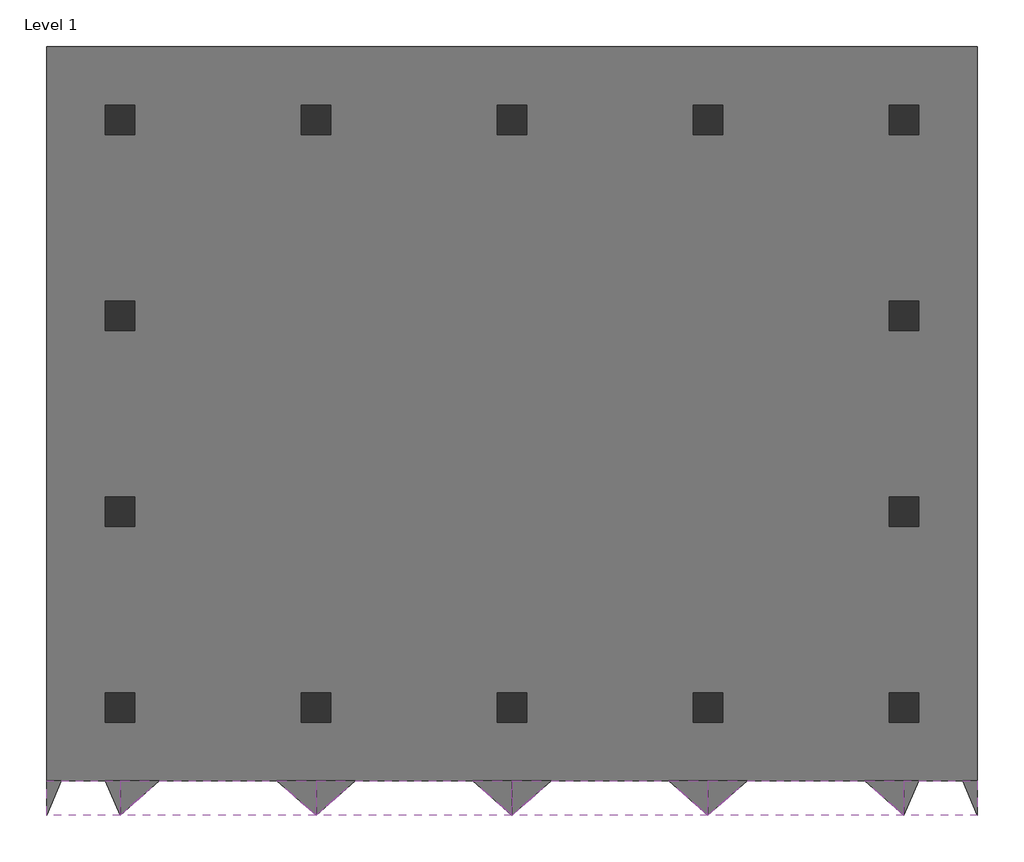
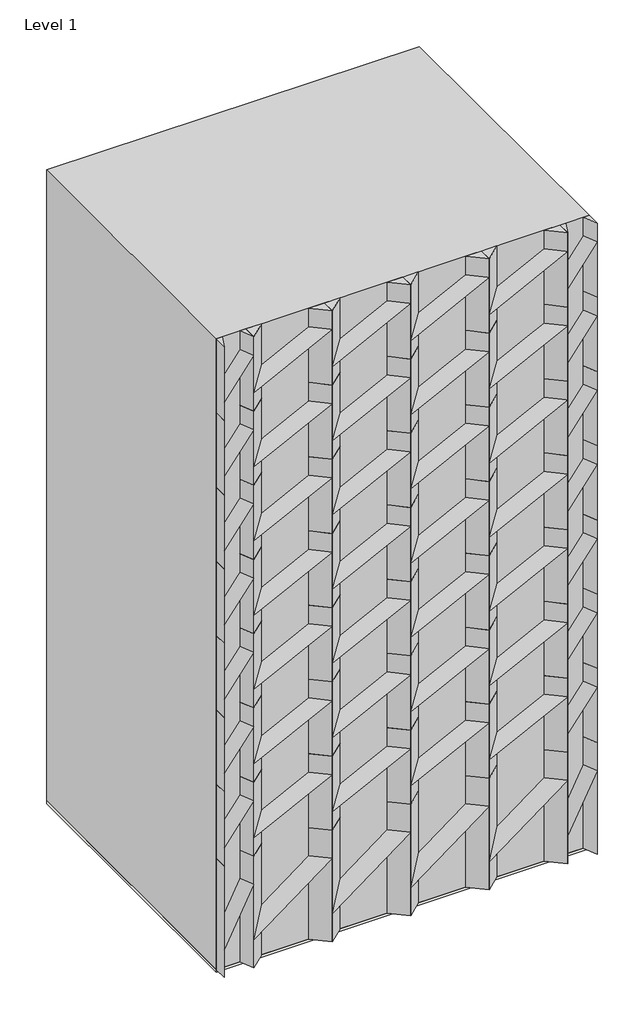
# One storey: 49 proxies, 14 columns, 1 slab.
"""IFC4 building model written with IfcOpenShell, lengths in millimetres."""

import ifcopenshell
import ifcopenshell.guid

model = None  # the IFC model being written
_history = None  # IfcOwnerHistory: only IFC2X3 demands one
_inside = {}  # id of a spatial element -> (the spatial element, [elements in it])
_under = {}  # id of a project, library or spatial element -> (it, [spatial elements below it])
_declared = {}  # id of a project -> (the project, [libraries it declares])
_typed = {}  # id of a type object -> (the type object, [elements of that type])
_made_of = {}  # id of a material, layer set ... -> (it, [elements and type objects made of it])


def new_model(schema):
    """Start an empty IFC model of exactly this schema.

    Asked for "IFC4X3", IfcOpenShell would pick the latest addendum, in which some entities
    have other attributes; the version numbers below select the first issue.
    IFC2X3 requires an IfcOwnerHistory on every rooted entity: one is made here for all.
    """
    global model, _history
    if schema == "IFC4X3":
        model = ifcopenshell.file(schema_version=(4, 3, 0, 0))
    else:
        model = ifcopenshell.file(schema=schema)
    _inside.clear()
    _under.clear()
    _declared.clear()
    _typed.clear()
    _made_of.clear()
    _history = None
    if model.schema == "IFC2X3":
        org = make("IfcOrganization", Name="unknown")
        user = make(
            "IfcPersonAndOrganization",
            ThePerson=make("IfcPerson", FamilyName="unknown"),
            TheOrganization=org,
        )
        app = make(
            "IfcApplication",
            ApplicationDeveloper=org,
            Version="unknown",
            ApplicationFullName="unknown",
            ApplicationIdentifier="unknown",
        )
        _history = make(
            "IfcOwnerHistory",
            OwningUser=user,
            OwningApplication=app,
            ChangeAction="ADDED",
            CreationDate=0,
        )
    return model


def make(cls, **values):
    """One entity of the class cls with the attributes given. An attribute that is None is left unset."""
    return model.create_entity(
        cls, **{name: value for name, value in values.items() if value is not None}
    )


def rooted(cls, **values):
    """An entity with a GlobalId (a new one), such as an element, a storey or a relation."""
    return make(cls, GlobalId=ifcopenshell.guid.new(), OwnerHistory=_history, **values)


def si_unit(unit_type, name, prefix=None):
    """IfcSIUnit, for example si_unit("LENGTHUNIT", "METRE", prefix="MILLI")."""
    return make("IfcSIUnit", UnitType=unit_type, Prefix=prefix, Name=name)


def assignment(units):
    """IfcUnitAssignment: the units of a project."""
    return None if units is None else make("IfcUnitAssignment", Units=units)


def point(xyz):
    """IfcCartesianPoint."""
    return None if xyz is None else make("IfcCartesianPoint", Coordinates=xyz)


def direction(xyz):
    """IfcDirection."""
    return None if xyz is None else make("IfcDirection", DirectionRatios=xyz)


def frame(location, z_axis=None, x_axis=None):
    """IfcAxis2Placement3D, a coordinate frame: its origin and axes. An axis left out is left unset."""
    return make(
        "IfcAxis2Placement3D",
        Location=point(location),
        Axis=direction(z_axis),
        RefDirection=direction(x_axis),
    )


def origin():
    """The frame at (0, 0, 0) with its axes left unset."""
    return frame((0.0, 0.0, 0.0))


def origin_with_axes():
    """The frame at (0, 0, 0) with the z axis (0, 0, 1) and the x axis (1, 0, 0) written out."""
    return frame((0.0, 0.0, 0.0), z_axis=(0.0, 0.0, 1.0), x_axis=(1.0, 0.0, 0.0))


def place(relative_to, where):
    """IfcLocalPlacement: puts the frame where relative to a parent placement (None: the world)."""
    return make(
        "IfcLocalPlacement", PlacementRelTo=relative_to, RelativePlacement=where
    )


def context(
    kind, dimensions, precision=None, world=None, true_north=None, identifier=None
):
    """IfcGeometricRepresentationContext, for example the 3D "Model" context."""
    return make(
        "IfcGeometricRepresentationContext",
        ContextIdentifier=identifier,
        ContextType=kind,
        CoordinateSpaceDimension=dimensions,
        Precision=precision,
        WorldCoordinateSystem=world,
        TrueNorth=true_north,
    )


def project(units=None, contexts=None):
    """IfcProject with its units and contexts."""
    return rooted(
        "IfcProject",
        Name="project",
        RepresentationContexts=contexts,
        UnitsInContext=assignment(units),
    )


def spatial(cls, under=None, at=None, **own):
    """A site, building, storey or space (cls), placed at a placement, below another one or the project."""
    s = rooted(cls, ObjectPlacement=at, **own)
    if under is not None:
        _under.setdefault(under.id(), (under, []))[1].append(s)
    return s


def polyline(points):
    """IfcPolyline through the points."""
    return make("IfcPolyline", Points=[point(p) for p in points])


def outline(outer, holes=None, kind="AREA"):
    """IfcArbitraryClosedProfileDef: a profile drawn as a closed curve; with holes, ...WithVoids."""
    if holes is None:
        return make("IfcArbitraryClosedProfileDef", ProfileType=kind, OuterCurve=outer)
    return make(
        "IfcArbitraryProfileDefWithVoids",
        ProfileType=kind,
        OuterCurve=outer,
        InnerCurves=holes,
    )


def extrude(swept, where, along, depth):
    """IfcExtrudedAreaSolid: the profile swept, set in the frame where, extruded along a direction by depth."""
    return make(
        "IfcExtrudedAreaSolid",
        SweptArea=swept,
        Position=where,
        ExtrudedDirection=direction(along),
        Depth=depth,
    )


def faces_of(points, faces, orient=None, outer=None):
    """IfcFace entities. A face is a list of loops; a loop is a list of indices into points, from 0.

    orient and outer hold one flag for each loop. By default every Orientation is true, the
    first loop of a face is its IfcFaceOuterBound and the others are IfcFaceBound.
    """
    made = []
    for i, loops in enumerate(faces):
        bounds = []
        for j, loop in enumerate(loops):
            is_outer = j == 0 if outer is None else outer[i][j]
            bounds.append(
                make(
                    "IfcFaceOuterBound" if is_outer else "IfcFaceBound",
                    Bound=make("IfcPolyLoop", Polygon=[points[k] for k in loop]),
                    Orientation=True if orient is None else orient[i][j],
                )
            )
        made.append(make("IfcFace", Bounds=bounds))
    return made


def faceted_brep(points, faces, orient=None, outer=None, voids=None):
    """IfcFacetedBrep: a solid bounded by flat faces; with voids (closed shells), ...WithVoids."""
    shared = [point(p) for p in points]
    hull = make("IfcClosedShell", CfsFaces=faces_of(shared, faces, orient, outer))
    if voids is None:
        return make("IfcFacetedBrep", Outer=hull)
    return make(
        "IfcFacetedBrepWithVoids",
        Outer=hull,
        Voids=[
            make(cls, CfsFaces=faces_of(shared, fs, o, b)) for cls, fs, o, b in voids
        ],
    )


def shape(context_of_items, identifier, shape_type, items):
    """IfcShapeRepresentation: the items that make up one representation, for example the "Body"."""
    return make(
        "IfcShapeRepresentation",
        ContextOfItems=context_of_items,
        RepresentationIdentifier=identifier,
        RepresentationType=shape_type,
        Items=items,
    )


def source(mapping_origin, context_of_items, identifier, shape_type, items):
    """IfcRepresentationMap: a shape defined once, which mapped items show again and again."""
    return make(
        "IfcRepresentationMap",
        MappingOrigin=mapping_origin,
        MappedRepresentation=shape(context_of_items, identifier, shape_type, items),
    )


def transform(
    local_origin,
    x_axis=None,
    y_axis=None,
    z_axis=None,
    scale=None,
    scale2=None,
    scale3=None,
    uniform=True,
):
    """IfcCartesianTransformationOperator3D, or its non-uniform kind. x_axis, y_axis, z_axis: its Axis1, 2, 3."""
    if uniform:
        return make(
            "IfcCartesianTransformationOperator3D",
            Axis1=direction(x_axis),
            Axis2=direction(y_axis),
            LocalOrigin=point(local_origin),
            Scale=scale,
            Axis3=direction(z_axis),
        )
    return make(
        "IfcCartesianTransformationOperator3DnonUniform",
        Axis1=direction(x_axis),
        Axis2=direction(y_axis),
        LocalOrigin=point(local_origin),
        Scale=scale,
        Axis3=direction(z_axis),
        Scale2=scale2,
        Scale3=scale3,
    )


def mapped(mapping_source, mapping_target):
    """IfcMappedItem: shows the shape of a source again, moved by a transform."""
    return make(
        "IfcMappedItem", MappingSource=mapping_source, MappingTarget=mapping_target
    )


def made_of(thing, what):
    """Note that an element or type object is made of a material, layer set ...; save() writes the relation."""
    if what is not None:
        _made_of.setdefault(what.id(), (what, []))[1].append(thing)
    return thing


def element(
    cls,
    number,
    at=None,
    inside=None,
    cuts=None,
    type_object=None,
    material=None,
    context=None,
    identifier="Body",
    shape_type=None,
    held_by="IfcProductDefinitionShape",
    body=None,
    shapes=None,
    **own,
):
    """One element of the class cls, such as IfcWall. Its Tag is "e" and its number.

    at: its placement. inside: the storey or other place that contains it. cuts: it is an
    opening in that element (IfcRelVoidsElement). A single representation is given by context,
    identifier, shape_type and body (its items); several are given by shapes. held_by: the class
    of the entity that holds the representations. save() writes the other relations.
    """
    e = rooted(cls, Tag="e%d" % number, ObjectPlacement=at, **own)
    if body is not None:
        shapes = [shape(context, identifier, shape_type, body)]
    if shapes is not None:
        e.Representation = make(held_by, Representations=shapes)
    if inside is not None:
        _inside.setdefault(inside.id(), (inside, []))[1].append(e)
    if cuts is not None:
        rooted(
            "IfcRelVoidsElement", RelatingBuildingElement=cuts, RelatedOpeningElement=e
        )
    if type_object is not None:
        _typed.setdefault(type_object.id(), (type_object, []))[1].append(e)
    return made_of(e, material)


def aggregate(whole, parts):
    """IfcRelAggregates: a whole, such as a stair, and the parts it consists of."""
    return rooted("IfcRelAggregates", RelatingObject=whole, RelatedObjects=parts)


def save(model, path):
    """Write the relations noted so far, then the file.

    IfcRelAggregates (storeys below a building ...), IfcRelContainedInSpatialStructure (elements
    in a storey), IfcRelDefinesByType, IfcRelAssociatesMaterial and IfcRelDeclares: one each for
    every whole, place, type object, material and project.
    """
    for whole, parts in _under.values():
        aggregate(whole, parts)
    for where, things in _inside.values():
        rooted(
            "IfcRelContainedInSpatialStructure",
            RelatedElements=things,
            RelatingStructure=where,
        )
    for kind, things in _typed.values():
        rooted("IfcRelDefinesByType", RelatedObjects=things, RelatingType=kind)
    for what, things in _made_of.values():
        rooted("IfcRelAssociatesMaterial", RelatedObjects=things, RelatingMaterial=what)
    for by, libraries in _declared.values():
        rooted("IfcRelDeclares", RelatingContext=by, RelatedDefinitions=libraries)
    model.write(path)


def generic_models_ffdb859a(model_context):
    return source(origin(), model_context, "Body", "SolidModel", [
        faceted_brep([(-524.6847793, -131.1711948, 0.0), (-1210.8110292, -1160.3605696, 700.0), (1210.8110292, 1160.3605696, 700.0), (928.2884557, 1261.2614887, 0.0), (-928.2884557, -1261.2614887, 0.0), (524.6847793, 131.1711948, 0.0)], [[[0, 1, 2, 3]], [[1, 4, 5, 2]], [[4, 0, 3, 5]], [[3, 2, 5]], [[0, 4, 1]]]),
        extrude(outline(polyline([(-233.3333333, 100.0), (466.6666667, 100.0), (-233.3333333, -200.0), (-233.3333333, 100.0)])), frame((-396.8769485, -3043.8443928, 233.3333333), z_axis=(0.3363363969981588, 0.9417419115948366, 0.0), x_axis=(0.0, 0.0, 1.0)), (0.0, 0.0, 1.0), 6000.0),
        extrude(outline(polyline([(-466.6666667, 100.0), (233.3333333, 100.0), (233.3333333, -200.0), (-466.6666667, 100.0)])), frame((-1621.1414335, -2606.6070767, 233.3333333), z_axis=(0.3363363969981584, 0.9417419115948367, 0.0), x_axis=(0.0, 0.0, -1.0)), (0.0, 0.0, 1.0), 6000.0),
    ])


def generic_models_e47848c2(model_context):
    return source(origin(), model_context, "Body", "SolidModel", [
        faceted_brep([(-1200.0, -300.0, 0.0), (-2000.0, -1500.0, 700.0), (2000.0, 1500.0, 700.0), (1200.0, 1500.0, 0.0), (-1200.0, -1500.0, 0.0), (1200.0, 300.0, 0.0)], [[[0, 1, 2, 3]], [[1, 4, 5, 2]], [[4, 0, 3, 5]], [[3, 2, 5]], [[0, 4, 1]]]),
        extrude(outline(polyline([(0.0, 2000.0), (700.0, 2000.0), (0.0, 1200.0), (0.0, 2000.0)])), frame((0.0, -3000.0, 0.0), z_axis=(0.0, 1.0, 0.0), x_axis=(0.0, 0.0, 1.0)), (0.0, 0.0, 1.0), 6000.0),
        extrude(outline(polyline([(700.0, -2000.0), (0.0, -2000.0), (0.0, -1200.0), (700.0, -2000.0)])), frame((0.0, -3000.0, 0.0), z_axis=(0.0, 1.0, 0.0), x_axis=(0.0, 0.0, 1.0)), (0.0, 0.0, 1.0), 6000.0),
    ])


def generic_models_e5d8185a(model_context):
    return source(origin(), model_context, "Body", "SolidModel", [
        faceted_brep([(-483.6744675, -92.5149149, 0.0), (-957.6105229, -803.418998, 700.0), (957.6105229, 803.418998, 700.0), (665.45816, 871.5878827, 0.0), (-665.45816, -871.5878827, 0.0), (483.6744675, 92.5149149, 0.0)], [[[0, 1, 2, 3]], [[1, 4, 5, 2]], [[4, 0, 3, 5]], [[3, 2, 5]], [[0, 4, 1]]]),
        extrude(outline(polyline([(-233.3333333, 100.0), (466.6666667, 100.0), (-233.3333333, -199.9999999), (-233.3333333, 100.0)])), frame((178.5375551, -2095.3816696, 233.3333333), z_axis=(0.22722961560642227, 0.9738412097417923, 0.0), x_axis=(0.0, 0.0, 1.0)), (0.0, 0.0, 1.0), 4000.0),
        extrude(outline(polyline([(-466.6666667, 100.0), (233.3333333, 100.0), (233.3333333, -200.0), (-466.6666667, 100.0)])), frame((-1087.4560175, -1799.9831693, 233.3333333), z_axis=(0.22722961560642227, 0.9738412097417923, 0.0), x_axis=(0.0, 0.0, -1.0)), (0.0, 0.0, 1.0), 4000.0),
    ])


def generic_models_c88dd591(model_context):
    return source(origin(), model_context, "Body", "SolidModel", [
        faceted_brep([(-1137.4735838, -431.4554973, 0.0), (-1765.0452162, -1372.812946, 700.0), (1765.0452162, 1372.812946, 700.0), (980.5806757, 1215.9200379, 0.0), (-980.5806757, -1215.9200379, 0.0), (1137.4735838, 431.4554973, 0.0)], [[[0, 1, 2, 3]], [[1, 4, 5, 2]], [[4, 0, 3, 5]], [[3, 2, 5]], [[0, 4, 1]]]),
        extrude(outline(polyline([(-233.3333333, 266.6666667), (466.6666667, 266.6666667), (-233.3333333, -533.3333334), (-233.3333333, 266.6666667)])), frame((2091.9054415, -1621.2267171, 233.3333333), z_axis=(-0.1961161351381841, 0.9805806756909201, 0.0), x_axis=(0.0, 0.0, 1.0)), (0.0, 0.0, 1.0), 4000.0),
        extrude(outline(polyline([(-466.6666667, 266.6666667), (233.3333333, 266.6666667), (233.3333333, -533.3333333), (-466.6666667, 266.6666667)])), frame((-1307.4409009, -2301.0959856, 233.3333333), z_axis=(-0.1961161351381843, 0.9805806756909201, 0.0), x_axis=(0.0, 0.0, -1.0)), (0.0, 0.0, 1.0), 4000.0),
    ])


def m_rectangular_column_610_x_610mm_4e1fe623(model_context):
    return source(origin(), model_context, "Body", "SweptSolid", [
        extrude(outline(polyline([(305.0, 305.0), (305.0, -305.0), (-305.0, -305.0), (-305.0, 305.0), (305.0, 305.0)])), origin_with_axes(), (0.0, 0.0, 1.0), 6000.0),
    ])


model = new_model("IFC4")

# Units and contexts
model_context = context("Model", 3, world=origin())
ifc_project = project(units=[si_unit("LENGTHUNIT", "METRE", prefix="MILLI")], contexts=[model_context])

# Site, building, storey
site = spatial("IfcSite", under=ifc_project)
building = spatial("IfcBuilding", under=site)
storey = spatial("IfcBuildingStorey", under=building, Name="Level 1", Elevation=0.0)

# Proxies
placement = place(None, origin())
generic_models_shape = generic_models_ffdb859a(model_context)
element("IfcBuildingElementProxy", 1, Name="Generic Models", at=placement, inside=storey, context=model_context, shape_type="MappedRepresentation", body=[
    mapped(generic_models_shape, transform((-6815.5268457, -9392.8664527, 3000.0), x_axis=(0.9417419115948367, 0.0, 0.3363363969981589), y_axis=(-0.3363363969981589, 0.0, 0.9417419115948367), z_axis=(0.0, -1.0, 0.0))),
])
element("IfcBuildingElementProxy", 2, Name="Generic Models", at=placement, inside=storey, context=model_context, shape_type="MappedRepresentation", body=[
    mapped(generic_models_shape, transform((10684.4731543, -9392.8664527, 3000.0), x_axis=(0.9417419115948393, 0.0, 0.33633639699815165), y_axis=(-0.33633639699815165, 0.0, 0.9417419115948393), z_axis=(0.0, -1.0, 0.0))),
])
generic_models_2_shape = generic_models_e47848c2(model_context)
element("IfcBuildingElementProxy", 3, Name="Generic Models", at=placement, inside=storey, context=model_context, shape_type="MappedRepresentation", body=[
    mapped(generic_models_2_shape, transform((-4065.5268457, -9392.8664527, 3000.0), x_axis=(1.0, 0.0, 0.0), y_axis=(0.0, 0.0, 1.0), z_axis=(0.0, -1.0, 0.0))),
])
element("IfcBuildingElementProxy", 4, Name="Generic Models", at=placement, inside=storey, context=model_context, shape_type="MappedRepresentation", body=[
    mapped(generic_models_2_shape, transform((-65.5268457, -9392.8664527, 3000.0), x_axis=(1.0, 0.0, 0.0), y_axis=(0.0, 0.0, 1.0), z_axis=(0.0, -1.0, 0.0))),
])
element("IfcBuildingElementProxy", 5, Name="Generic Models", at=placement, inside=storey, context=model_context, shape_type="MappedRepresentation", body=[
    mapped(generic_models_2_shape, transform((3934.4731543, -9392.8664527, 3000.0), x_axis=(1.0, 0.0, 0.0), y_axis=(0.0, 0.0, 1.0), z_axis=(0.0, -1.0, 0.0))),
])
element("IfcBuildingElementProxy", 6, Name="Generic Models", at=placement, inside=storey, context=model_context, shape_type="MappedRepresentation", body=[
    mapped(generic_models_2_shape, transform((7934.4731543, -9392.8664527, 3000.0), x_axis=(1.0000000000000002, 0.0, 0.0), y_axis=(0.0, 0.0, 1.0000000000000002), z_axis=(0.0, -1.0, 0.0))),
])
generic_models_3_shape = generic_models_e5d8185a(model_context)
element("IfcBuildingElementProxy", 7, Name="Generic Models", at=placement, inside=storey, context=model_context, shape_type="MappedRepresentation", body=[
    mapped(generic_models_3_shape, transform((-6815.5268457, -9392.8664527, 8000.0), x_axis=(0.9738412097417923, 0.0, 0.2272296156064224), y_axis=(-0.2272296156064224, 0.0, 0.9738412097417923), z_axis=(0.0, -1.0, 0.0))),
])
element("IfcBuildingElementProxy", 8, Name="Generic Models", at=placement, inside=storey, context=model_context, shape_type="MappedRepresentation", body=[
    mapped(generic_models_3_shape, transform((10684.4731543, -9392.8664527, 8000.0), x_axis=(0.9738412097417948, 0.0, 0.2272296156064117), y_axis=(-0.2272296156064117, 0.0, 0.9738412097417948), z_axis=(0.0, -1.0, 0.0))),
])
element("IfcBuildingElementProxy", 9, Name="Generic Models", at=placement, inside=storey, context=model_context, shape_type="MappedRepresentation", body=[
    mapped(generic_models_3_shape, transform((-6815.5268457, -9392.8664527, 12000.0), x_axis=(0.9738412097417923, 0.0, 0.22722961560642269), y_axis=(-0.22722961560642269, 0.0, 0.9738412097417923), z_axis=(0.0, -1.0, 0.0))),
])
element("IfcBuildingElementProxy", 10, Name="Generic Models", at=placement, inside=storey, context=model_context, shape_type="MappedRepresentation", body=[
    mapped(generic_models_3_shape, transform((10684.4731543, -9392.8664527, 12000.0), x_axis=(0.9738412097417948, 0.0, 0.22722961560641208), y_axis=(-0.22722961560641208, 0.0, 0.9738412097417948), z_axis=(0.0, -1.0, 0.0))),
])
element("IfcBuildingElementProxy", 11, Name="Generic Models", at=placement, inside=storey, context=model_context, shape_type="MappedRepresentation", body=[
    mapped(generic_models_3_shape, transform((-6815.5268457, -9392.8664527, 16000.0), x_axis=(0.9738412097417924, 0.0, 0.2272296156064219), y_axis=(-0.2272296156064219, 0.0, 0.9738412097417924), z_axis=(0.0, -1.0, 0.0))),
])
element("IfcBuildingElementProxy", 12, Name="Generic Models", at=placement, inside=storey, context=model_context, shape_type="MappedRepresentation", body=[
    mapped(generic_models_3_shape, transform((10684.4731543, -9392.8664527, 16000.0), x_axis=(0.9738412097417949, 0.0, 0.22722961560641142), y_axis=(-0.22722961560641142, 0.0, 0.9738412097417949), z_axis=(0.0, -1.0, 0.0))),
])
element("IfcBuildingElementProxy", 13, Name="Generic Models", at=placement, inside=storey, context=model_context, shape_type="MappedRepresentation", body=[
    mapped(generic_models_3_shape, transform((-6815.5268457, -9392.8664527, 20000.0), x_axis=(0.9738412097417923, 0.0, 0.22722961560642269), y_axis=(-0.22722961560642269, 0.0, 0.9738412097417923), z_axis=(0.0, -1.0, 0.0))),
])
element("IfcBuildingElementProxy", 14, Name="Generic Models", at=placement, inside=storey, context=model_context, shape_type="MappedRepresentation", body=[
    mapped(generic_models_3_shape, transform((10684.4731543, -9392.8664527, 20000.0), x_axis=(0.9738412097417948, 0.0, 0.22722961560641208), y_axis=(-0.22722961560641208, 0.0, 0.9738412097417948), z_axis=(0.0, -1.0, 0.0))),
])
element("IfcBuildingElementProxy", 15, Name="Generic Models", at=placement, inside=storey, context=model_context, shape_type="MappedRepresentation", body=[
    mapped(generic_models_3_shape, transform((-6815.5268457, -9392.8664527, 24000.0), x_axis=(0.9738412097417923, 0.0, 0.2272296156064224), y_axis=(-0.2272296156064224, 0.0, 0.9738412097417923), z_axis=(0.0, -1.0, 0.0))),
])
element("IfcBuildingElementProxy", 16, Name="Generic Models", at=placement, inside=storey, context=model_context, shape_type="MappedRepresentation", body=[
    mapped(generic_models_3_shape, transform((10684.4731543, -9392.8664527, 24000.0), x_axis=(0.9738412097417948, 0.0, 0.2272296156064117), y_axis=(-0.2272296156064117, 0.0, 0.9738412097417948), z_axis=(0.0, -1.0, 0.0))),
])
element("IfcBuildingElementProxy", 17, Name="Generic Models", at=placement, inside=storey, context=model_context, shape_type="MappedRepresentation", body=[
    mapped(generic_models_3_shape, transform((-6815.5268457, -9392.8664527, 28000.0), x_axis=(0.9738412097417923, 0.0, 0.2272296156064224), y_axis=(-0.2272296156064224, 0.0, 0.9738412097417923), z_axis=(0.0, -1.0, 0.0))),
])
element("IfcBuildingElementProxy", 18, Name="Generic Models", at=placement, inside=storey, context=model_context, shape_type="MappedRepresentation", body=[
    mapped(generic_models_3_shape, transform((10684.4731543, -9392.8664527, 28000.0), x_axis=(0.9738412097417948, 0.0, 0.2272296156064117), y_axis=(-0.2272296156064117, 0.0, 0.9738412097417948), z_axis=(0.0, -1.0, 0.0))),
])
element("IfcBuildingElementProxy", 19, Name="Generic Models", at=placement, inside=storey, context=model_context, shape_type="MappedRepresentation", body=[
    mapped(generic_models_3_shape, transform((-6815.5268457, -9392.8664527, 32000.0), x_axis=(0.9738412097417927, 0.0, 0.22722961560642163), y_axis=(-0.22722961560642163, 0.0, 0.9738412097417927), z_axis=(0.0, -1.0, 0.0))),
])
element("IfcBuildingElementProxy", 20, Name="Generic Models", at=placement, inside=storey, context=model_context, shape_type="MappedRepresentation", body=[
    mapped(generic_models_3_shape, transform((10684.4731543, -9392.8664527, 32000.0), x_axis=(0.9738412097417951, 0.0, 0.22722961560641103), y_axis=(-0.22722961560641103, 0.0, 0.9738412097417951), z_axis=(0.0, -1.0, 0.0))),
])
generic_models_4_shape = generic_models_c88dd591(model_context)
element("IfcBuildingElementProxy", 21, Name="Generic Models", at=placement, inside=storey, context=model_context, shape_type="MappedRepresentation", body=[
    mapped(generic_models_4_shape, transform((-4065.5268457, -9392.8664527, 8000.0), x_axis=(0.9805806756909202, 0.0, -0.19611613513818404), y_axis=(0.19611613513818404, 0.0, 0.9805806756909202), z_axis=(0.0, -1.0, 0.0))),
])
element("IfcBuildingElementProxy", 22, Name="Generic Models", at=placement, inside=storey, context=model_context, shape_type="MappedRepresentation", body=[
    mapped(generic_models_4_shape, transform((-65.5268457, -9392.8664527, 8000.0), x_axis=(0.9805806756909202, 0.0, -0.19611613513818404), y_axis=(0.19611613513818404, 0.0, 0.9805806756909202), z_axis=(0.0, -1.0, 0.0))),
])
element("IfcBuildingElementProxy", 23, Name="Generic Models", at=placement, inside=storey, context=model_context, shape_type="MappedRepresentation", body=[
    mapped(generic_models_4_shape, transform((3934.4731543, -9392.8664527, 8000.0), x_axis=(0.9805806756909201, 0.0, -0.1961161351381841), y_axis=(0.1961161351381841, 0.0, 0.9805806756909201), z_axis=(0.0, -1.0, 0.0))),
])
element("IfcBuildingElementProxy", 24, Name="Generic Models", at=placement, inside=storey, context=model_context, shape_type="MappedRepresentation", body=[
    mapped(generic_models_4_shape, transform((7934.4731543, -9392.8664527, 8000.0), x_axis=(0.9805806756909202, 0.0, -0.19611613513818388), y_axis=(0.19611613513818388, 0.0, 0.9805806756909202), z_axis=(0.0, -1.0, 0.0))),
])
element("IfcBuildingElementProxy", 25, Name="Generic Models", at=placement, inside=storey, context=model_context, shape_type="MappedRepresentation", body=[
    mapped(generic_models_4_shape, transform((-4065.5268457, -9392.8664527, 12000.0), x_axis=(0.9805806756909203, 0.0, -0.1961161351381836), y_axis=(0.1961161351381836, 0.0, 0.9805806756909203), z_axis=(0.0, -1.0, 0.0))),
])
element("IfcBuildingElementProxy", 26, Name="Generic Models", at=placement, inside=storey, context=model_context, shape_type="MappedRepresentation", body=[
    mapped(generic_models_4_shape, transform((-65.5268457, -9392.8664527, 12000.0), x_axis=(0.9805806756909203, 0.0, -0.1961161351381836), y_axis=(0.1961161351381836, 0.0, 0.9805806756909203), z_axis=(0.0, -1.0, 0.0))),
])
element("IfcBuildingElementProxy", 27, Name="Generic Models", at=placement, inside=storey, context=model_context, shape_type="MappedRepresentation", body=[
    mapped(generic_models_4_shape, transform((3934.4731543, -9392.8664527, 12000.0), x_axis=(0.9805806756909203, 0.0, -0.19611613513818366), y_axis=(0.19611613513818366, 0.0, 0.9805806756909203), z_axis=(0.0, -1.0, 0.0))),
])
element("IfcBuildingElementProxy", 28, Name="Generic Models", at=placement, inside=storey, context=model_context, shape_type="MappedRepresentation", body=[
    mapped(generic_models_4_shape, transform((7934.4731543, -9392.8664527, 12000.0), x_axis=(0.9805806756909203, 0.0, -0.19611613513818316), y_axis=(0.19611613513818316, 0.0, 0.9805806756909203), z_axis=(0.0, -1.0, 0.0))),
])
element("IfcBuildingElementProxy", 29, Name="Generic Models", at=placement, inside=storey, context=model_context, shape_type="MappedRepresentation", body=[
    mapped(generic_models_4_shape, transform((-4065.5268457, -9392.8664527, 16000.0), x_axis=(0.9805806756909201, 0.0, -0.1961161351381846), y_axis=(0.1961161351381846, 0.0, 0.9805806756909201), z_axis=(0.0, -1.0, 0.0))),
])
element("IfcBuildingElementProxy", 30, Name="Generic Models", at=placement, inside=storey, context=model_context, shape_type="MappedRepresentation", body=[
    mapped(generic_models_4_shape, transform((-65.5268457, -9392.8664527, 16000.0), x_axis=(0.9805806756909201, 0.0, -0.1961161351381846), y_axis=(0.1961161351381846, 0.0, 0.9805806756909201), z_axis=(0.0, -1.0, 0.0))),
])
element("IfcBuildingElementProxy", 31, Name="Generic Models", at=placement, inside=storey, context=model_context, shape_type="MappedRepresentation", body=[
    mapped(generic_models_4_shape, transform((3934.4731543, -9392.8664527, 16000.0), x_axis=(0.9805806756909201, 0.0, -0.1961161351381847), y_axis=(0.1961161351381847, 0.0, 0.9805806756909201), z_axis=(0.0, -1.0, 0.0))),
])
element("IfcBuildingElementProxy", 32, Name="Generic Models", at=placement, inside=storey, context=model_context, shape_type="MappedRepresentation", body=[
    mapped(generic_models_4_shape, transform((7934.4731543, -9392.8664527, 16000.0), x_axis=(0.9805806756909203, 0.0, -0.19611613513818438), y_axis=(0.19611613513818438, 0.0, 0.9805806756909203), z_axis=(0.0, -1.0, 0.0))),
])
element("IfcBuildingElementProxy", 33, Name="Generic Models", at=placement, inside=storey, context=model_context, shape_type="MappedRepresentation", body=[
    mapped(generic_models_4_shape, transform((-4065.5268457, -9392.8664527, 20000.0), x_axis=(0.9805806756909203, 0.0, -0.1961161351381836), y_axis=(0.1961161351381836, 0.0, 0.9805806756909203), z_axis=(0.0, -1.0, 0.0))),
])
element("IfcBuildingElementProxy", 34, Name="Generic Models", at=placement, inside=storey, context=model_context, shape_type="MappedRepresentation", body=[
    mapped(generic_models_4_shape, transform((-65.5268457, -9392.8664527, 20000.0), x_axis=(0.9805806756909203, 0.0, -0.1961161351381836), y_axis=(0.1961161351381836, 0.0, 0.9805806756909203), z_axis=(0.0, -1.0, 0.0))),
])
element("IfcBuildingElementProxy", 35, Name="Generic Models", at=placement, inside=storey, context=model_context, shape_type="MappedRepresentation", body=[
    mapped(generic_models_4_shape, transform((3934.4731543, -9392.8664527, 20000.0), x_axis=(0.9805806756909203, 0.0, -0.19611613513818366), y_axis=(0.19611613513818366, 0.0, 0.9805806756909203), z_axis=(0.0, -1.0, 0.0))),
])
element("IfcBuildingElementProxy", 36, Name="Generic Models", at=placement, inside=storey, context=model_context, shape_type="MappedRepresentation", body=[
    mapped(generic_models_4_shape, transform((7934.4731543, -9392.8664527, 20000.0), x_axis=(0.9805806756909203, 0.0, -0.19611613513818316), y_axis=(0.19611613513818316, 0.0, 0.9805806756909203), z_axis=(0.0, -1.0, 0.0))),
])
element("IfcBuildingElementProxy", 37, Name="Generic Models", at=placement, inside=storey, context=model_context, shape_type="MappedRepresentation", body=[
    mapped(generic_models_4_shape, transform((-4065.5268457, -9392.8664527, 24000.0), x_axis=(0.9805806756909202, 0.0, -0.19611613513818404), y_axis=(0.19611613513818404, 0.0, 0.9805806756909202), z_axis=(0.0, -1.0, 0.0))),
])
element("IfcBuildingElementProxy", 38, Name="Generic Models", at=placement, inside=storey, context=model_context, shape_type="MappedRepresentation", body=[
    mapped(generic_models_4_shape, transform((-65.5268457, -9392.8664527, 24000.0), x_axis=(0.9805806756909202, 0.0, -0.19611613513818404), y_axis=(0.19611613513818404, 0.0, 0.9805806756909202), z_axis=(0.0, -1.0, 0.0))),
])
element("IfcBuildingElementProxy", 39, Name="Generic Models", at=placement, inside=storey, context=model_context, shape_type="MappedRepresentation", body=[
    mapped(generic_models_4_shape, transform((3934.4731543, -9392.8664527, 24000.0), x_axis=(0.9805806756909201, 0.0, -0.1961161351381841), y_axis=(0.1961161351381841, 0.0, 0.9805806756909201), z_axis=(0.0, -1.0, 0.0))),
])
element("IfcBuildingElementProxy", 40, Name="Generic Models", at=placement, inside=storey, context=model_context, shape_type="MappedRepresentation", body=[
    mapped(generic_models_4_shape, transform((7934.4731543, -9392.8664527, 24000.0), x_axis=(0.9805806756909202, 0.0, -0.19611613513818388), y_axis=(0.19611613513818388, 0.0, 0.9805806756909202), z_axis=(0.0, -1.0, 0.0))),
])
element("IfcBuildingElementProxy", 41, Name="Generic Models", at=placement, inside=storey, context=model_context, shape_type="MappedRepresentation", body=[
    mapped(generic_models_4_shape, transform((-4065.5268457, -9392.8664527, 28000.0), x_axis=(0.9805806756909202, 0.0, -0.19611613513818404), y_axis=(0.19611613513818404, 0.0, 0.9805806756909202), z_axis=(0.0, -1.0, 0.0))),
])
element("IfcBuildingElementProxy", 42, Name="Generic Models", at=placement, inside=storey, context=model_context, shape_type="MappedRepresentation", body=[
    mapped(generic_models_4_shape, transform((-65.5268457, -9392.8664527, 28000.0), x_axis=(0.9805806756909202, 0.0, -0.19611613513818404), y_axis=(0.19611613513818404, 0.0, 0.9805806756909202), z_axis=(0.0, -1.0, 0.0))),
])
element("IfcBuildingElementProxy", 43, Name="Generic Models", at=placement, inside=storey, context=model_context, shape_type="MappedRepresentation", body=[
    mapped(generic_models_4_shape, transform((3934.4731543, -9392.8664527, 28000.0), x_axis=(0.9805806756909201, 0.0, -0.1961161351381841), y_axis=(0.1961161351381841, 0.0, 0.9805806756909201), z_axis=(0.0, -1.0, 0.0))),
])
element("IfcBuildingElementProxy", 44, Name="Generic Models", at=placement, inside=storey, context=model_context, shape_type="MappedRepresentation", body=[
    mapped(generic_models_4_shape, transform((7934.4731543, -9392.8664527, 28000.0), x_axis=(0.9805806756909202, 0.0, -0.19611613513818388), y_axis=(0.19611613513818388, 0.0, 0.9805806756909202), z_axis=(0.0, -1.0, 0.0))),
])
element("IfcBuildingElementProxy", 45, Name="Generic Models", at=placement, inside=storey, context=model_context, shape_type="MappedRepresentation", body=[
    mapped(generic_models_4_shape, transform((-4065.5268457, -9392.8664527, 32000.0), x_axis=(0.98058067569092, 0.0, -0.1961161351381851), y_axis=(0.1961161351381851, 0.0, 0.98058067569092), z_axis=(0.0, -1.0, 0.0))),
])
element("IfcBuildingElementProxy", 46, Name="Generic Models", at=placement, inside=storey, context=model_context, shape_type="MappedRepresentation", body=[
    mapped(generic_models_4_shape, transform((-65.5268457, -9392.8664527, 32000.0), x_axis=(0.98058067569092, 0.0, -0.1961161351381851), y_axis=(0.1961161351381851, 0.0, 0.98058067569092), z_axis=(0.0, -1.0, 0.0))),
])
element("IfcBuildingElementProxy", 47, Name="Generic Models", at=placement, inside=storey, context=model_context, shape_type="MappedRepresentation", body=[
    mapped(generic_models_4_shape, transform((3934.4731543, -9392.8664527, 32000.0), x_axis=(0.9805806756909201, 0.0, -0.19611613513818532), y_axis=(0.19611613513818532, 0.0, 0.9805806756909201), z_axis=(0.0, -1.0, 0.0))),
])
element("IfcBuildingElementProxy", 48, Name="Generic Models", at=placement, inside=storey, context=model_context, shape_type="MappedRepresentation", body=[
    mapped(generic_models_4_shape, transform((7934.4731543, -9392.8664527, 32000.0), x_axis=(0.9805806756909201, 0.0, -0.19611613513818477), y_axis=(0.19611613513818477, 0.0, 0.9805806756909201), z_axis=(0.0, -1.0, 0.0))),
])
element("IfcBuildingElementProxy", 49, Name="Mass 1 : Mass 1", ObjectType="Mass 1 : Mass 1", at=placement, inside=storey, context=model_context, shape_type="SweptSolid", body=[
    extrude(outline(polyline([(11434.4731543, 5607.1335473), (11434.4731543, -9392.8664527), (-7565.5268457, -9392.8664527), (-7565.5268457, 5607.1335473), (11434.4731543, 5607.1335473)])), origin_with_axes(), (0.0, 0.0, 1.0), 34000.0),
])

# Columns
m_rectangular_column_610_x_610mm_shape = m_rectangular_column_610_x_610mm_4e1fe623(model_context)
element("IfcColumn", 50, ObjectType="M_Rectangular Column : 610 x 610mm", at=placement, inside=storey, context=model_context, shape_type="MappedRepresentation", body=[
    mapped(m_rectangular_column_610_x_610mm_shape, transform((-6065.5268457, 4107.1335473, 0.0), x_axis=(1.0, 0.0, 0.0), y_axis=(0.0, 1.0, 0.0), z_axis=(0.0, 0.0, 1.0))),
])
element("IfcColumn", 51, ObjectType="M_Rectangular Column : 610 x 610mm", at=placement, inside=storey, context=model_context, shape_type="MappedRepresentation", body=[
    mapped(m_rectangular_column_610_x_610mm_shape, transform((-2065.5268457, 4107.1335473, 0.0), x_axis=(1.0, 0.0, 0.0), y_axis=(0.0, 1.0, 0.0), z_axis=(0.0, 0.0, 1.0))),
])
element("IfcColumn", 52, ObjectType="M_Rectangular Column : 610 x 610mm", at=placement, inside=storey, context=model_context, shape_type="MappedRepresentation", body=[
    mapped(m_rectangular_column_610_x_610mm_shape, transform((1934.4731543, 4107.1335473, 0.0), x_axis=(1.0, 0.0, 0.0), y_axis=(0.0, 1.0, 0.0), z_axis=(0.0, 0.0, 1.0))),
])
element("IfcColumn", 53, ObjectType="M_Rectangular Column : 610 x 610mm", at=placement, inside=storey, context=model_context, shape_type="MappedRepresentation", body=[
    mapped(m_rectangular_column_610_x_610mm_shape, transform((5934.4731543, 4107.1335473, 0.0), x_axis=(1.0, 0.0, 0.0), y_axis=(0.0, 1.0, 0.0), z_axis=(0.0, 0.0, 1.0))),
])
element("IfcColumn", 54, ObjectType="M_Rectangular Column : 610 x 610mm", at=placement, inside=storey, context=model_context, shape_type="MappedRepresentation", body=[
    mapped(m_rectangular_column_610_x_610mm_shape, transform((9934.4731543, 4107.1335473, 0.0), x_axis=(1.0, 0.0, 0.0), y_axis=(0.0, 1.0, 0.0), z_axis=(0.0, 0.0, 1.0))),
])
element("IfcColumn", 55, ObjectType="M_Rectangular Column : 610 x 610mm", at=placement, inside=storey, context=model_context, shape_type="MappedRepresentation", body=[
    mapped(m_rectangular_column_610_x_610mm_shape, transform((9934.4731543, 107.1335473, 0.0), x_axis=(1.0, 0.0, 0.0), y_axis=(0.0, 1.0, 0.0), z_axis=(0.0, 0.0, 1.0))),
])
element("IfcColumn", 56, ObjectType="M_Rectangular Column : 610 x 610mm", at=placement, inside=storey, context=model_context, shape_type="MappedRepresentation", body=[
    mapped(m_rectangular_column_610_x_610mm_shape, transform((9934.4731543, -3892.8664527, 0.0), x_axis=(1.0, 0.0, 0.0), y_axis=(0.0, 1.0, 0.0), z_axis=(0.0, 0.0, 1.0))),
])
element("IfcColumn", 57, ObjectType="M_Rectangular Column : 610 x 610mm", at=placement, inside=storey, context=model_context, shape_type="MappedRepresentation", body=[
    mapped(m_rectangular_column_610_x_610mm_shape, transform((9934.4731543, -7892.8664527, 0.0), x_axis=(1.0, 0.0, 0.0), y_axis=(0.0, 1.0, 0.0), z_axis=(0.0, 0.0, 1.0))),
])
element("IfcColumn", 58, ObjectType="M_Rectangular Column : 610 x 610mm", at=placement, inside=storey, context=model_context, shape_type="MappedRepresentation", body=[
    mapped(m_rectangular_column_610_x_610mm_shape, transform((5934.4731543, -7892.8664527, 0.0), x_axis=(1.0, 0.0, 0.0), y_axis=(0.0, 1.0, 0.0), z_axis=(0.0, 0.0, 1.0))),
])
element("IfcColumn", 59, ObjectType="M_Rectangular Column : 610 x 610mm", at=placement, inside=storey, context=model_context, shape_type="MappedRepresentation", body=[
    mapped(m_rectangular_column_610_x_610mm_shape, transform((1934.4731543, -7892.8664527, 0.0), x_axis=(1.0, 0.0, 0.0), y_axis=(0.0, 1.0, 0.0), z_axis=(0.0, 0.0, 1.0))),
])
element("IfcColumn", 60, ObjectType="M_Rectangular Column : 610 x 610mm", at=placement, inside=storey, context=model_context, shape_type="MappedRepresentation", body=[
    mapped(m_rectangular_column_610_x_610mm_shape, transform((-2065.5268457, -7892.8664527, 0.0), x_axis=(1.0, 0.0, 0.0), y_axis=(0.0, 1.0, 0.0), z_axis=(0.0, 0.0, 1.0))),
])
element("IfcColumn", 61, ObjectType="M_Rectangular Column : 610 x 610mm", at=placement, inside=storey, context=model_context, shape_type="MappedRepresentation", body=[
    mapped(m_rectangular_column_610_x_610mm_shape, transform((-6065.5268457, -7892.8664527, 0.0), x_axis=(1.0, 0.0, 0.0), y_axis=(0.0, 1.0, 0.0), z_axis=(0.0, 0.0, 1.0))),
])
element("IfcColumn", 62, ObjectType="M_Rectangular Column : 610 x 610mm", at=placement, inside=storey, context=model_context, shape_type="MappedRepresentation", body=[
    mapped(m_rectangular_column_610_x_610mm_shape, transform((-6065.5268457, -3892.8664527, 0.0), x_axis=(1.0, 0.0, 0.0), y_axis=(0.0, 1.0, 0.0), z_axis=(0.0, 0.0, 1.0))),
])
element("IfcColumn", 63, ObjectType="M_Rectangular Column : 610 x 610mm", at=placement, inside=storey, context=model_context, shape_type="MappedRepresentation", body=[
    mapped(m_rectangular_column_610_x_610mm_shape, transform((-6065.5268457, 107.1335473, 0.0), x_axis=(1.0, 0.0, 0.0), y_axis=(0.0, 1.0, 0.0), z_axis=(0.0, 0.0, 1.0))),
])

# Slab
element("IfcSlab", 64, ObjectType="Generic 150mm", at=placement, inside=storey, context=model_context, shape_type="SweptSolid", body=[
    extrude(outline(polyline([(11434.4731543, 5607.1335473), (11434.4731543, -9392.8664527), (-7565.5268457, -9392.8664527), (-7565.5268457, 5607.1335473), (11434.4731543, 5607.1335473)])), frame((0.0, 0.0, -150.0), z_axis=(0.0, 0.0, 1.0), x_axis=(1.0, 0.0, 0.0)), (0.0, 0.0, 1.0), 150.0),
])

save(model, "model.ifc")
